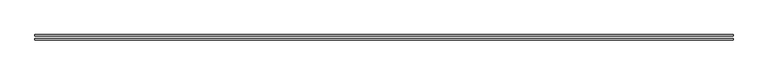
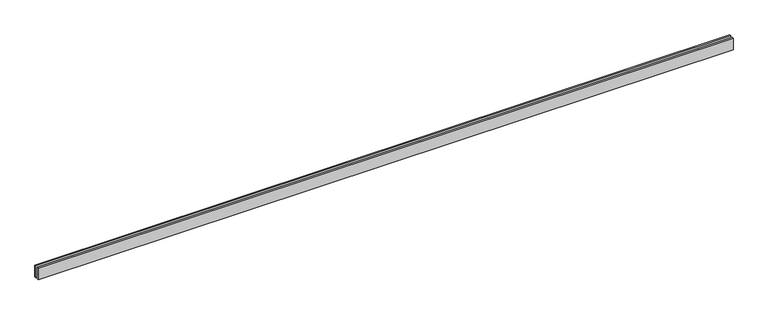
"""IFC4 building model written with IfcOpenShell, lengths in millimetres: proxy geometry."""

from ifc_helpers import new_model, si_unit, origin, origin_with_axes, place, context, project, spatial, polyline, outline, extrude, source, transform, mapped, element, save


def generic_models_04b6fde5(model_context):
    return source(origin(), model_context, "Body", "SweptSolid", [
        extrude(outline(polyline([(14135.0, 25.0), (0.0, 25.0), (0.0, 55.0), (14135.0, 55.0), (14135.0, 25.0)])), origin_with_axes(), (0.0, 0.0, 1.0), 250.0),
        extrude(outline(polyline([(14135.0, -55.0), (0.0, -55.0), (0.0, -25.0), (14135.0, -25.0), (14135.0, -55.0)])), origin_with_axes(), (0.0, 0.0, 1.0), 250.0),
    ])


if __name__ == "__main__":
    model = new_model("IFC4")
    model_context = context("Model", 3, world=origin())
    ifc_project = project(units=[si_unit("LENGTHUNIT", "METRE", prefix="MILLI")], contexts=[model_context])
    site = spatial("IfcSite", under=ifc_project)
    building = spatial("IfcBuilding", under=site)
    placement = place(None, origin())
    generic_models_shape = generic_models_04b6fde5(model_context)
    element("IfcBuildingElementProxy", 1, Name="Generic Models", at=placement, inside=building, context=model_context, shape_type="MappedRepresentation", body=[
        mapped(generic_models_shape, transform((0.0, 0.0, 0.0), x_axis=(1.0, 0.0, 0.0), y_axis=(0.0, 1.0, 0.0), z_axis=(0.0, 0.0, 1.0))),
    ])
    save(model, "model.ifc")
